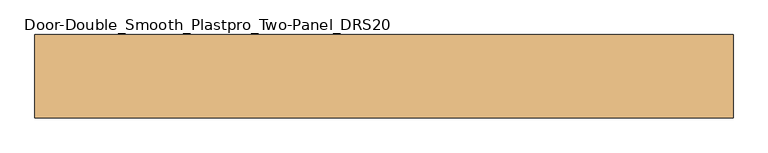
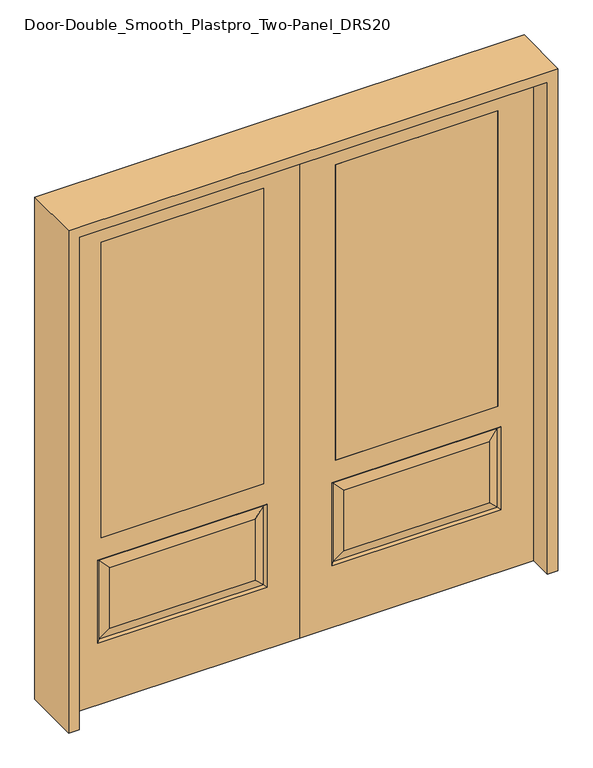
"""IFC4 building model written with IfcOpenShell, lengths in millimetres: door geometry, Door-Double_Smooth_Plastpro_Two-Panel_DRS20."""

from ifc_helpers import new_model, si_unit, frame, origin, place, context, project, spatial, polyline, outline, extrude, faceted_brep, source, transform, mapped, element, save


def door_double_smooth_plastpro_two_panel_drs20_84d421a8(model_context):
    return source(origin(), model_context, "Body", "SolidModel", [
        extrude(outline(polyline([(-774.7, -20.6375), (-774.7, 20.6375), (-139.7, 20.6375), (-139.7, -20.6375), (-774.7, -20.6375)])), frame((0.0, 0.0, 685.8), z_axis=(0.0, 0.0, 1.0), x_axis=(1.0, 0.0, 0.0)), (0.0, 0.0, 1.0), 1219.2),
        faceted_brep([(-914.4, 20.6375, 0.0), (0.0, 20.6375, 0.0), (0.0, -20.6375, 0.0), (-914.4, -20.6375, 0.0), (-914.4, 20.6375, 2032.0), (-914.4, -20.6375, 2032.0), (0.0, -20.6375, 2032.0), (-787.4, -20.6375, 254.0), (-787.4, -20.6375, 596.9), (-127.0, -20.6375, 596.9), (-127.0, -20.6375, 254.0), (-139.7, -20.6375, 1905.0), (-139.7, -20.6375, 685.8), (-774.7, -20.6375, 685.8), (-774.7, -20.6375, 1905.0), (-173.0375, -20.6375, 300.0375), (-173.0375, -20.6375, 550.8625), (-741.3625, -20.6375, 550.8625), (-741.3625, -20.6375, 300.0375), (0.0, 20.6375, 2032.0), (-787.4, 20.6375, 596.9), (-787.4, 20.6375, 254.0), (-127.0, 20.6375, 254.0), (-127.0, 20.6375, 596.9), (-774.7, 20.6375, 1905.0), (-774.7, 20.6375, 685.8), (-139.7, 20.6375, 685.8), (-139.7, 20.6375, 1905.0), (-173.0375, 20.6375, 550.8625), (-173.0375, 20.6375, 300.0375), (-741.3625, 20.6375, 300.0375), (-741.3625, 20.6375, 550.8625), (-778.4197439, 11.6572439, 587.9197439), (-135.9802561, 11.6572439, 587.9197439), (-135.9802561, 11.6572439, 262.9802561), (-778.4197439, 11.6572439, 262.9802561), (-778.4197439, -11.6572439, 262.9802561), (-135.9802561, -11.6572439, 262.9802561), (-135.9802561, -11.6572439, 587.9197439), (-778.4197439, -11.6572439, 587.9197439)], [[[0, 1, 2, 3]], [[4, 0, 3, 5]], [[5, 3, 2, 6], [7, 8, 9, 10], [11, 12, 13, 14]], [[15, 16, 17, 18]], [[6, 2, 1, 19]], [[19, 1, 0, 4], [20, 21, 22, 23], [24, 25, 26, 27]], [[28, 29, 30, 31]], [[32, 20, 23, 33]], [[23, 22, 34, 33]], [[22, 21, 35, 34]], [[32, 35, 21, 20]], [[33, 28, 31, 32]], [[31, 30, 35, 32]], [[34, 35, 30, 29]], [[33, 34, 29, 28]], [[27, 26, 12, 11]], [[26, 25, 13, 12]], [[14, 13, 25, 24]], [[36, 7, 10, 37]], [[10, 9, 38, 37]], [[9, 8, 39, 38]], [[36, 39, 8, 7]], [[37, 15, 18, 36]], [[18, 17, 39, 36]], [[38, 39, 17, 16]], [[37, 38, 16, 15]], [[4, 5, 6, 19]], [[11, 14, 24, 27]]]),
        extrude(outline(polyline([(774.7, -20.6375), (139.7, -20.6375), (139.7, 20.6375), (774.7, 20.6375), (774.7, -20.6375)])), frame((0.0, 0.0, 685.8), z_axis=(0.0, 0.0, 1.0), x_axis=(1.0, 0.0, 0.0)), (0.0, 0.0, 1.0), 1219.2),
        faceted_brep([(914.4, 20.6375, 0.0), (914.4, -20.6375, 0.0), (0.0, -20.6375, 0.0), (0.0, 20.6375, 0.0), (914.4, 20.6375, 2032.0), (914.4, -20.6375, 2032.0), (173.0375, -20.6375, 300.0375), (741.3625, -20.6375, 300.0375), (741.3625, -20.6375, 550.8625), (173.0375, -20.6375, 550.8625), (0.0, -20.6375, 2032.0), (787.4, -20.6375, 254.0), (127.0, -20.6375, 254.0), (127.0, -20.6375, 596.9), (787.4, -20.6375, 596.9), (139.7, -20.6375, 1905.0), (774.7, -20.6375, 1905.0), (774.7, -20.6375, 685.8), (139.7, -20.6375, 685.8), (0.0, 20.6375, 2032.0), (173.0375, 20.6375, 550.8625), (741.3625, 20.6375, 550.8625), (741.3625, 20.6375, 300.0375), (173.0375, 20.6375, 300.0375), (787.4, 20.6375, 596.9), (127.0, 20.6375, 596.9), (127.0, 20.6375, 254.0), (787.4, 20.6375, 254.0), (774.7, 20.6375, 1905.0), (139.7, 20.6375, 1905.0), (139.7, 20.6375, 685.8), (774.7, 20.6375, 685.8), (778.4197439, 11.6572439, 587.9197439), (135.9802561, 11.6572439, 587.9197439), (135.9802561, 11.6572439, 262.9802561), (778.4197439, 11.6572439, 262.9802561), (778.4197439, -11.6572439, 262.9802561), (135.9802561, -11.6572439, 262.9802561), (135.9802561, -11.6572439, 587.9197439), (778.4197439, -11.6572439, 587.9197439)], [[[0, 1, 2, 3]], [[4, 5, 1, 0]], [[6, 7, 8, 9]], [[5, 10, 2, 1], [11, 12, 13, 14], [15, 16, 17, 18]], [[10, 19, 3, 2]], [[20, 21, 22, 23]], [[19, 4, 0, 3], [24, 25, 26, 27], [28, 29, 30, 31]], [[32, 33, 25, 24]], [[25, 33, 34, 26]], [[26, 34, 35, 27]], [[32, 24, 27, 35]], [[33, 32, 21, 20]], [[21, 32, 35, 22]], [[34, 23, 22, 35]], [[33, 20, 23, 34]], [[29, 15, 18, 30]], [[30, 18, 17, 31]], [[16, 28, 31, 17]], [[36, 37, 12, 11]], [[12, 37, 38, 13]], [[13, 38, 39, 14]], [[36, 11, 14, 39]], [[37, 36, 7, 6]], [[7, 36, 39, 8]], [[38, 9, 8, 39]], [[37, 6, 9, 38]], [[4, 19, 10, 5]], [[15, 29, 28, 16]]]),
        extrude(outline(polyline([(2073.275, -955.675), (0.0, -955.675), (0.0, -914.4), (2032.0, -914.4), (2032.0, 914.4), (0.0, 914.4), (0.0, 955.675), (2073.275, 955.675), (2073.275, -955.675)])), frame((0.0, -114.3, 0.0), z_axis=(0.0, 1.0, 0.0), x_axis=(0.0, 0.0, 1.0)), (0.0, 0.0, 1.0), 228.6),
    ])


if __name__ == "__main__":
    model = new_model("IFC4")
    model_context = context("Model", 3, world=origin())
    ifc_project = project(units=[si_unit("LENGTHUNIT", "METRE", prefix="MILLI")], contexts=[model_context])
    site = spatial("IfcSite", under=ifc_project)
    building = spatial("IfcBuilding", under=site)
    placement = place(None, origin())
    door_double_smooth_plastpro_two_panel_drs20_shape = door_double_smooth_plastpro_two_panel_drs20_84d421a8(model_context)
    element("IfcDoor", 1, ObjectType="Door-Double_Smooth_Plastpro_Two-Panel_DRS20", at=placement, inside=building, context=model_context, shape_type="MappedRepresentation", body=[
        mapped(door_double_smooth_plastpro_two_panel_drs20_shape, transform((0.0, 0.0, 0.0), x_axis=(1.0, 0.0, 0.0), y_axis=(0.0, 1.0, 0.0), z_axis=(0.0, 0.0, 1.0))),
    ])
    save(model, "model.ifc")
